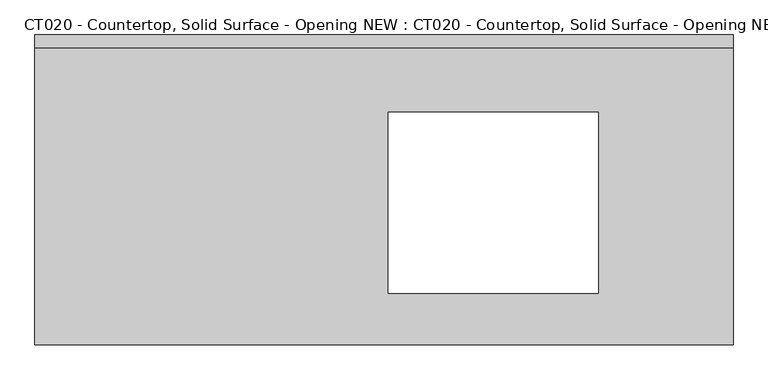
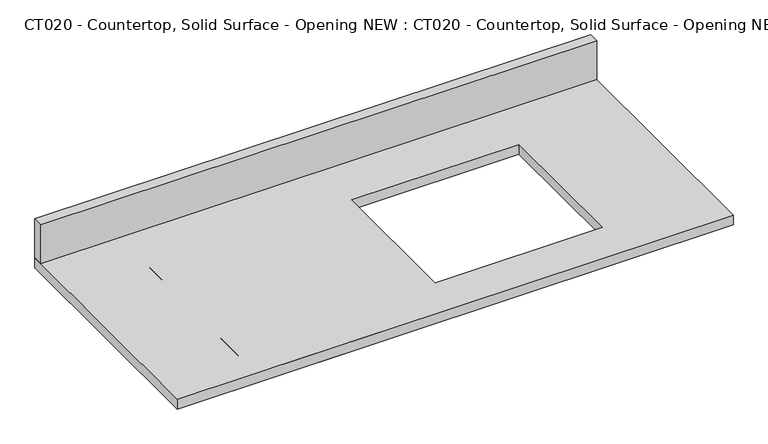
"""IFC4 building model written with IfcOpenShell, lengths in millimetres: proxy geometry, CT020 - Countertop, Solid Surface - Opening NEW : CT020 - Countertop, Solid Surface - Opening NEW."""

import ifcopenshell
import ifcopenshell.guid

model = None  # the IFC model being written
_history = None  # IfcOwnerHistory: only IFC2X3 demands one
_inside = {}  # id of a spatial element -> (the spatial element, [elements in it])
_under = {}  # id of a project, library or spatial element -> (it, [spatial elements below it])
_declared = {}  # id of a project -> (the project, [libraries it declares])
_typed = {}  # id of a type object -> (the type object, [elements of that type])
_made_of = {}  # id of a material, layer set ... -> (it, [elements and type objects made of it])


def new_model(schema):
    """Start an empty IFC model of exactly this schema.

    Asked for "IFC4X3", IfcOpenShell would pick the latest addendum, in which some entities
    have other attributes; the version numbers below select the first issue.
    IFC2X3 requires an IfcOwnerHistory on every rooted entity: one is made here for all.
    """
    global model, _history
    if schema == "IFC4X3":
        model = ifcopenshell.file(schema_version=(4, 3, 0, 0))
    else:
        model = ifcopenshell.file(schema=schema)
    _inside.clear()
    _under.clear()
    _declared.clear()
    _typed.clear()
    _made_of.clear()
    _history = None
    if model.schema == "IFC2X3":
        org = make("IfcOrganization", Name="unknown")
        user = make(
            "IfcPersonAndOrganization",
            ThePerson=make("IfcPerson", FamilyName="unknown"),
            TheOrganization=org,
        )
        app = make(
            "IfcApplication",
            ApplicationDeveloper=org,
            Version="unknown",
            ApplicationFullName="unknown",
            ApplicationIdentifier="unknown",
        )
        _history = make(
            "IfcOwnerHistory",
            OwningUser=user,
            OwningApplication=app,
            ChangeAction="ADDED",
            CreationDate=0,
        )
    return model


def make(cls, **values):
    """One entity of the class cls with the attributes given. An attribute that is None is left unset."""
    return model.create_entity(
        cls, **{name: value for name, value in values.items() if value is not None}
    )


def rooted(cls, **values):
    """An entity with a GlobalId (a new one), such as an element, a storey or a relation."""
    return make(cls, GlobalId=ifcopenshell.guid.new(), OwnerHistory=_history, **values)


def si_unit(unit_type, name, prefix=None):
    """IfcSIUnit, for example si_unit("LENGTHUNIT", "METRE", prefix="MILLI")."""
    return make("IfcSIUnit", UnitType=unit_type, Prefix=prefix, Name=name)


def assignment(units):
    """IfcUnitAssignment: the units of a project."""
    return None if units is None else make("IfcUnitAssignment", Units=units)


def point(xyz):
    """IfcCartesianPoint."""
    return None if xyz is None else make("IfcCartesianPoint", Coordinates=xyz)


def direction(xyz):
    """IfcDirection."""
    return None if xyz is None else make("IfcDirection", DirectionRatios=xyz)


def frame(location, z_axis=None, x_axis=None):
    """IfcAxis2Placement3D, a coordinate frame: its origin and axes. An axis left out is left unset."""
    return make(
        "IfcAxis2Placement3D",
        Location=point(location),
        Axis=direction(z_axis),
        RefDirection=direction(x_axis),
    )


def origin():
    """The frame at (0, 0, 0) with its axes left unset."""
    return frame((0.0, 0.0, 0.0))


def origin_with_axes():
    """The frame at (0, 0, 0) with the z axis (0, 0, 1) and the x axis (1, 0, 0) written out."""
    return frame((0.0, 0.0, 0.0), z_axis=(0.0, 0.0, 1.0), x_axis=(1.0, 0.0, 0.0))


def place(relative_to, where):
    """IfcLocalPlacement: puts the frame where relative to a parent placement (None: the world)."""
    return make(
        "IfcLocalPlacement", PlacementRelTo=relative_to, RelativePlacement=where
    )


def context(
    kind, dimensions, precision=None, world=None, true_north=None, identifier=None
):
    """IfcGeometricRepresentationContext, for example the 3D "Model" context."""
    return make(
        "IfcGeometricRepresentationContext",
        ContextIdentifier=identifier,
        ContextType=kind,
        CoordinateSpaceDimension=dimensions,
        Precision=precision,
        WorldCoordinateSystem=world,
        TrueNorth=true_north,
    )


def project(units=None, contexts=None):
    """IfcProject with its units and contexts."""
    return rooted(
        "IfcProject",
        Name="project",
        RepresentationContexts=contexts,
        UnitsInContext=assignment(units),
    )


def spatial(cls, under=None, at=None, **own):
    """A site, building, storey or space (cls), placed at a placement, below another one or the project."""
    s = rooted(cls, ObjectPlacement=at, **own)
    if under is not None:
        _under.setdefault(under.id(), (under, []))[1].append(s)
    return s


def polyline(points):
    """IfcPolyline through the points."""
    return make("IfcPolyline", Points=[point(p) for p in points])


def outline(outer, holes=None, kind="AREA"):
    """IfcArbitraryClosedProfileDef: a profile drawn as a closed curve; with holes, ...WithVoids."""
    if holes is None:
        return make("IfcArbitraryClosedProfileDef", ProfileType=kind, OuterCurve=outer)
    return make(
        "IfcArbitraryProfileDefWithVoids",
        ProfileType=kind,
        OuterCurve=outer,
        InnerCurves=holes,
    )


def extrude(swept, where, along, depth):
    """IfcExtrudedAreaSolid: the profile swept, set in the frame where, extruded along a direction by depth."""
    return make(
        "IfcExtrudedAreaSolid",
        SweptArea=swept,
        Position=where,
        ExtrudedDirection=direction(along),
        Depth=depth,
    )


def shape(context_of_items, identifier, shape_type, items):
    """IfcShapeRepresentation: the items that make up one representation, for example the "Body"."""
    return make(
        "IfcShapeRepresentation",
        ContextOfItems=context_of_items,
        RepresentationIdentifier=identifier,
        RepresentationType=shape_type,
        Items=items,
    )


def source(mapping_origin, context_of_items, identifier, shape_type, items):
    """IfcRepresentationMap: a shape defined once, which mapped items show again and again."""
    return make(
        "IfcRepresentationMap",
        MappingOrigin=mapping_origin,
        MappedRepresentation=shape(context_of_items, identifier, shape_type, items),
    )


def transform(
    local_origin,
    x_axis=None,
    y_axis=None,
    z_axis=None,
    scale=None,
    scale2=None,
    scale3=None,
    uniform=True,
):
    """IfcCartesianTransformationOperator3D, or its non-uniform kind. x_axis, y_axis, z_axis: its Axis1, 2, 3."""
    if uniform:
        return make(
            "IfcCartesianTransformationOperator3D",
            Axis1=direction(x_axis),
            Axis2=direction(y_axis),
            LocalOrigin=point(local_origin),
            Scale=scale,
            Axis3=direction(z_axis),
        )
    return make(
        "IfcCartesianTransformationOperator3DnonUniform",
        Axis1=direction(x_axis),
        Axis2=direction(y_axis),
        LocalOrigin=point(local_origin),
        Scale=scale,
        Axis3=direction(z_axis),
        Scale2=scale2,
        Scale3=scale3,
    )


def mapped(mapping_source, mapping_target):
    """IfcMappedItem: shows the shape of a source again, moved by a transform."""
    return make(
        "IfcMappedItem", MappingSource=mapping_source, MappingTarget=mapping_target
    )


def made_of(thing, what):
    """Note that an element or type object is made of a material, layer set ...; save() writes the relation."""
    if what is not None:
        _made_of.setdefault(what.id(), (what, []))[1].append(thing)
    return thing


def element(
    cls,
    number,
    at=None,
    inside=None,
    cuts=None,
    type_object=None,
    material=None,
    context=None,
    identifier="Body",
    shape_type=None,
    held_by="IfcProductDefinitionShape",
    body=None,
    shapes=None,
    **own,
):
    """One element of the class cls, such as IfcWall. Its Tag is "e" and its number.

    at: its placement. inside: the storey or other place that contains it. cuts: it is an
    opening in that element (IfcRelVoidsElement). A single representation is given by context,
    identifier, shape_type and body (its items); several are given by shapes. held_by: the class
    of the entity that holds the representations. save() writes the other relations.
    """
    e = rooted(cls, Tag="e%d" % number, ObjectPlacement=at, **own)
    if body is not None:
        shapes = [shape(context, identifier, shape_type, body)]
    if shapes is not None:
        e.Representation = make(held_by, Representations=shapes)
    if inside is not None:
        _inside.setdefault(inside.id(), (inside, []))[1].append(e)
    if cuts is not None:
        rooted(
            "IfcRelVoidsElement", RelatingBuildingElement=cuts, RelatedOpeningElement=e
        )
    if type_object is not None:
        _typed.setdefault(type_object.id(), (type_object, []))[1].append(e)
    return made_of(e, material)


def aggregate(whole, parts):
    """IfcRelAggregates: a whole, such as a stair, and the parts it consists of."""
    return rooted("IfcRelAggregates", RelatingObject=whole, RelatedObjects=parts)


def save(model, path):
    """Write the relations noted so far, then the file.

    IfcRelAggregates (storeys below a building ...), IfcRelContainedInSpatialStructure (elements
    in a storey), IfcRelDefinesByType, IfcRelAssociatesMaterial and IfcRelDeclares: one each for
    every whole, place, type object, material and project.
    """
    for whole, parts in _under.values():
        aggregate(whole, parts)
    for where, things in _inside.values():
        rooted(
            "IfcRelContainedInSpatialStructure",
            RelatedElements=things,
            RelatingStructure=where,
        )
    for kind, things in _typed.values():
        rooted("IfcRelDefinesByType", RelatedObjects=things, RelatingType=kind)
    for what, things in _made_of.values():
        rooted("IfcRelAssociatesMaterial", RelatedObjects=things, RelatingMaterial=what)
    for by, libraries in _declared.values():
        rooted("IfcRelDeclares", RelatingContext=by, RelatedDefinitions=libraries)
    model.write(path)


def ct020_countertop_solid_surface_opening_new_ct020_countertop_6df85a66(model_context):
    return source(origin(), model_context, "Body", "SweptSolid", [
        extrude(outline(polyline([(1027.3092306, 304.8), (1027.3092306, -304.8), (-346.4474741, -304.8), (-346.4474741, 304.8), (1027.3092306, 304.8)]), holes=[polyline([(762.0, 152.9546125), (349.25, 152.9546125), (349.25, -203.2), (762.0, -203.2), (762.0, 152.9546125)])]), origin_with_axes(), (0.0, 0.0, 1.0), 25.4),
        extrude(outline(polyline([(-346.4474741, 279.4), (-346.4474741, 304.8), (1027.3092306, 304.8), (1027.3092306, 279.4), (-346.4474741, 279.4)])), frame((0.0, 0.0, 25.4), z_axis=(0.0, 0.0, 1.0), x_axis=(1.0, 0.0, 0.0)), (0.0, 0.0, 1.0), 101.6),
        extrude(outline(polyline([(-152.4, 304.8), (152.4, 304.8), (152.4, -304.8), (-152.4, -304.8), (-152.4, 0.0), (-152.4, 304.8)])), origin_with_axes(), (0.0, 0.0, 1.0), 25.4),
    ])


if __name__ == "__main__":
    model = new_model("IFC4")
    model_context = context("Model", 3, world=origin())
    ifc_project = project(units=[si_unit("LENGTHUNIT", "METRE", prefix="MILLI")], contexts=[model_context])
    site = spatial("IfcSite", under=ifc_project)
    building = spatial("IfcBuilding", under=site)
    placement = place(None, origin())
    ct020_countertop_solid_surface_opening_new_ct020_countertop_shape = ct020_countertop_solid_surface_opening_new_ct020_countertop_6df85a66(model_context)
    element("IfcBuildingElementProxy", 1, Name="CT020 - Countertop, Solid Surface - Opening NEW : CT020 - Countertop, Solid Surface - Opening NEW", ObjectType="CT020 - Countertop, Solid Surface - Opening NEW : CT020 - Countertop, Solid Surface - Opening NEW", at=placement, inside=building, context=model_context, shape_type="MappedRepresentation", body=[
        mapped(ct020_countertop_solid_surface_opening_new_ct020_countertop_shape, transform((0.0, 0.0, 0.0), x_axis=(1.0, 0.0, 0.0), y_axis=(0.0, 1.0, 0.0), z_axis=(0.0, 0.0, 1.0))),
    ])
    save(model, "model.ifc")
